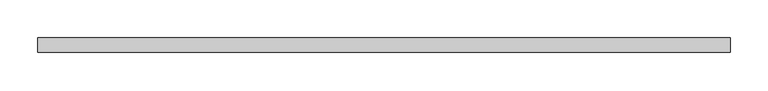
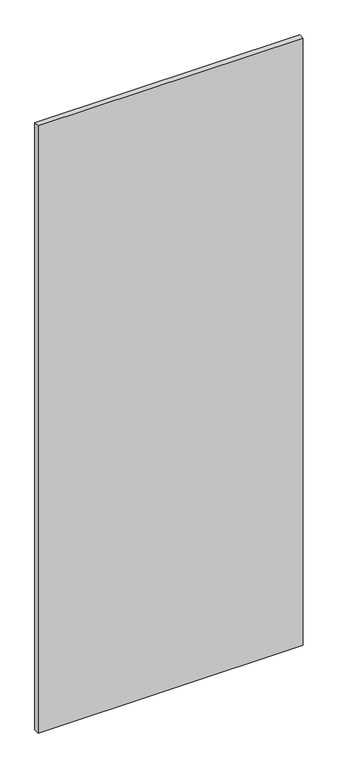
"""IFC4 building model written with IfcOpenShell, lengths in millimetres: proxy geometry."""

from ifc_helpers import new_model, si_unit, frame, origin, place, context, project, spatial, polyline, outline, extrude, source, transform, mapped, element, save


def specialty_equipment_55334238(model_context):
    return source(origin(), model_context, "Body", "SweptSolid", [
        extrude(outline(polyline([(455.3204, 9.525), (455.3204, -9.525), (-455.3204, -9.525), (-455.3204, 9.525), (455.3204, 9.525)])), frame((0.0, 0.0, 3.175), z_axis=(0.0, 0.0, 1.0), x_axis=(1.0, 0.0, 0.0)), (0.0, 0.0, 1.0), 2203.45),
    ])


if __name__ == "__main__":
    model = new_model("IFC4")
    model_context = context("Model", 3, world=origin())
    ifc_project = project(units=[si_unit("LENGTHUNIT", "METRE", prefix="MILLI")], contexts=[model_context])
    site = spatial("IfcSite", under=ifc_project)
    building = spatial("IfcBuilding", under=site)
    placement = place(None, origin())
    specialty_equipment_shape = specialty_equipment_55334238(model_context)
    element("IfcBuildingElementProxy", 1, Name="Specialty Equipment", at=placement, inside=building, context=model_context, shape_type="MappedRepresentation", body=[
        mapped(specialty_equipment_shape, transform((0.0, 0.0, 0.0), x_axis=(1.0, 0.0, 0.0), y_axis=(0.0, 1.0, 0.0), z_axis=(0.0, 0.0, 1.0))),
    ])
    save(model, "model.ifc")
